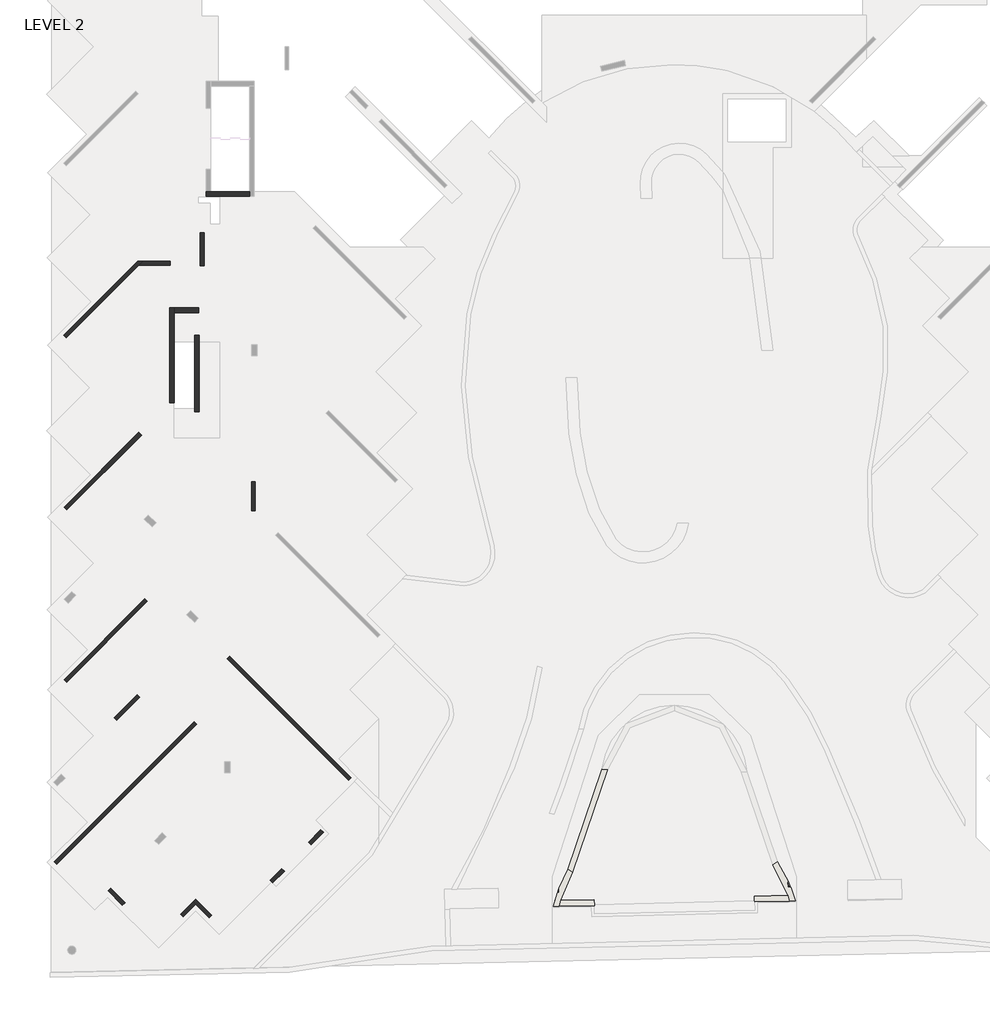
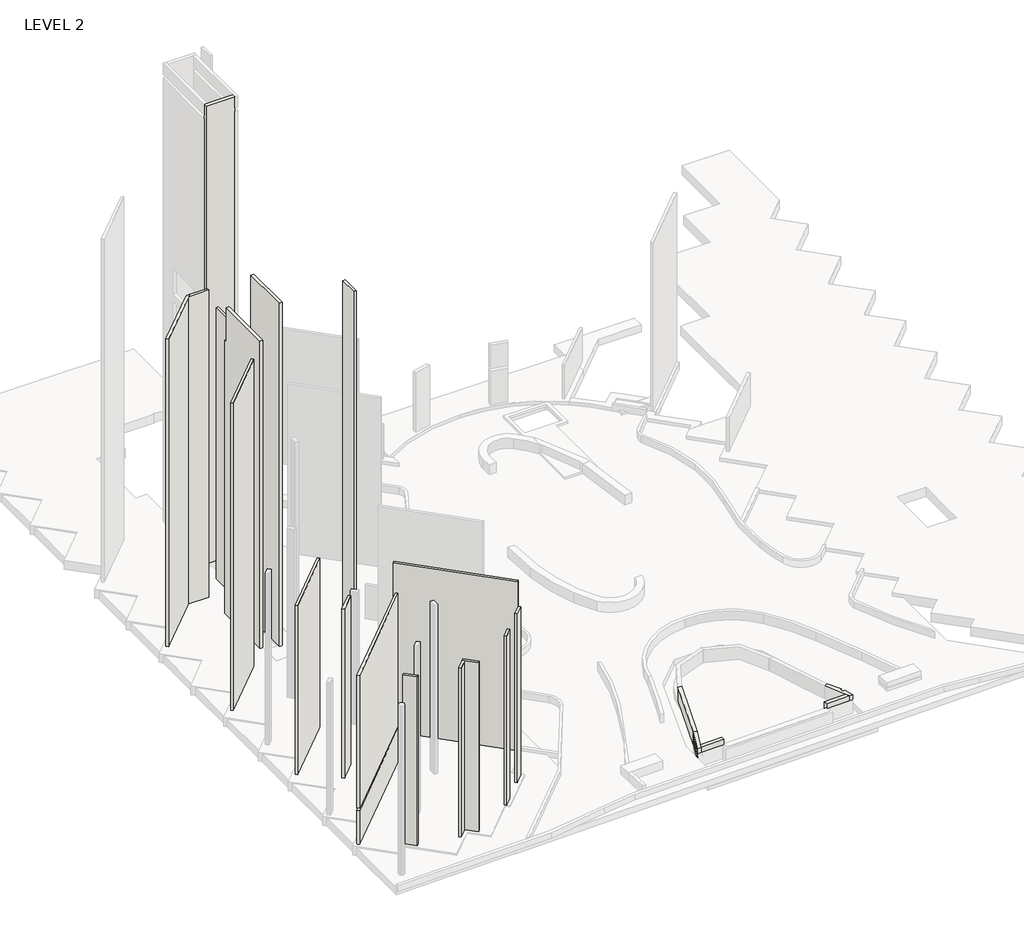
# One storey, part 1 of 9: 32 walls.
"""IFC4 building model written with IfcOpenShell, lengths in millimetres."""

from ifc_helpers import new_model, si_unit, point, frame, frame_2d, origin, place, context, project, spatial, polyline, circle_curve, trimmed, segment, composite_curve, outline, extrude, faceted_brep, element, save
from ifc_brep_helpers import plane_surface, cylinder_surface, revolved_surface, advanced_brep

model = new_model("IFC4")

# Units and contexts
model_context = context("Model", 3, world=origin())
ifc_project = project(units=[si_unit("LENGTHUNIT", "METRE", prefix="MILLI")], contexts=[model_context])

# Site, building, storey
site = spatial("IfcSite", under=ifc_project)
building = spatial("IfcBuilding", under=site)
storey = spatial("IfcBuildingStorey", under=building, Name="LEVEL 2", Elevation=6400.0)

# Walls
placement = place(None, origin())
element("IfcWall", 1, ObjectType="200 WALL", at=placement, inside=storey, context=model_context, shape_type="SweptSolid", body=[
    extrude(outline(polyline([(183986.1489175, 187812.2914792), (182277.3811584, 187812.2914792), (182477.3811584, 188012.2914792), (183986.1489175, 188012.2914792), (183986.1489175, 187812.2914792)])), frame((0.0, 0.0, 6400.0), z_axis=(0.0, 0.0, 1.0), x_axis=(1.0, 0.0, 0.0)), (0.0, 0.0, 1.0), 27550.0),
])
element("IfcWall", 2, ObjectType="200 WALL", at=placement, inside=storey, context=model_context, shape_type="Brep", body=[
    faceted_brep([(182194.5384459, 188012.2914792, 6400.0), (178123.5364761, 183941.2895094, 6400.0), (178123.5364761, 183941.2895094, 33950.0), (182194.5384459, 188012.2914792, 33950.0), (182477.3811584, 188012.2914792, 6400.0), (182477.3811584, 188012.2914792, 33950.0), (182277.3811584, 187812.2914792, 33950.0), (178264.9578323, 183799.8681532, 33950.0), (178264.9578323, 183799.8681532, 6400.0), (182277.3811584, 187812.2914792, 6400.0)], [[[0, 1, 2, 3]], [[4, 5, 6, 7, 8, 9]], [[1, 0, 4, 9, 8]], [[2, 1, 8, 7]], [[3, 2, 7, 6, 5]], [[0, 3, 5, 4]]]),
])
element("IfcWall", 3, ObjectType="200 WALL", at=placement, inside=storey, context=model_context, shape_type="SweptSolid", body=[
    extrude(outline(polyline([(178137.009774, 165004.289222), (182584.0166801, 169451.2961281), (182725.4380363, 169309.8747718), (178278.4311302, 164862.8678657), (178137.009774, 165004.289222)])), frame((0.0, 0.0, 6400.0), z_axis=(0.0, 0.0, 1.0), x_axis=(1.0, 0.0, 0.0)), (0.0, 0.0, 1.0), 15150.0),
])
element("IfcWall", 4, ObjectType="200 WALL", at=placement, inside=storey, context=model_context, shape_type="SweptSolid", body=[
    extrude(outline(polyline([(187252.3512607, 166288.8350385), (193943.3545347, 159597.8317645), (193801.9331784, 159456.4104083), (187110.9299045, 166147.4136823), (187252.3512607, 166288.8350385)])), frame((0.0, 0.0, 6400.0), z_axis=(0.0, 0.0, 1.0), x_axis=(1.0, 0.0, 0.0)), (0.0, 0.0, 1.0), 15150.0),
])
element("IfcWall", 5, ObjectType="200 WALL", at=placement, inside=storey, context=model_context, shape_type="SweptSolid", body=[
    extrude(outline(polyline([(177601.0110843, 154993.0715139), (185301.9923503, 162694.0527799), (185443.4137065, 162552.6314237), (177742.4324405, 154851.6501577), (177601.0110843, 154993.0715139)])), frame((0.0, 0.0, 6400.0), z_axis=(0.0, 0.0, 1.0), x_axis=(1.0, 0.0, 0.0)), (0.0, 0.0, 1.0), 3050.0),
    extrude(outline(polyline([(177601.0110843, 154993.0715139), (185301.9923503, 162694.0527799), (185443.4137065, 162552.6314237), (177742.4324405, 154851.6501577), (177601.0110843, 154993.0715139)])), frame((0.0, 0.0, 9650.0), z_axis=(0.0, 0.0, 1.0), x_axis=(1.0, 0.0, 0.0)), (0.0, 0.0, 1.0), 11900.0),
])
element("IfcWall", 6, ObjectType="200 WALL", at=placement, inside=storey, context=model_context, shape_type="SweptSolid", body=[
    extrude(outline(polyline([(178137.0038489, 174479.5260143), (182257.0257812, 178599.5479466), (182398.4471374, 178458.1265903), (178278.4252051, 174338.104658), (178137.0038489, 174479.5260143)])), frame((0.0, 0.0, 6400.0), z_axis=(0.0, 0.0, 1.0), x_axis=(1.0, 0.0, 0.0)), (0.0, 0.0, 1.0), 27550.0),
])
element("IfcWall", 7, ObjectType="200 WALL", at=placement, inside=storey, context=model_context, shape_type="SweptSolid", body=[
    extrude(outline(polyline([(182306.7794119, 164033.4073529), (181037.5485707, 162764.1765117), (180896.1272145, 162905.597868), (182165.3580557, 164174.8287092), (182306.7794119, 164033.4073529)])), frame((0.0, 0.0, 6400.0), z_axis=(0.0, 0.0, 1.0), x_axis=(1.0, 0.0, 0.0)), (0.0, 0.0, 1.0), 15150.0),
])
element("IfcWall", 8, ObjectType="200 WALL", at=placement, inside=storey, context=model_context, shape_type="SweptSolid", body=[
    extrude(outline(polyline([(188466.1489175, 174282.8005157), (188466.1489175, 175889.9965), (188666.1489175, 175889.9965), (188666.1489175, 174282.8005157), (188466.1489175, 174282.8005157)])), frame((0.0, 0.0, 6400.0), z_axis=(0.0, 0.0, 1.0), x_axis=(1.0, 0.0, 0.0)), (0.0, 0.0, 1.0), 34050.0),
])
element("IfcWall", 9, ObjectType="200 WALL", at=placement, inside=storey, context=model_context, shape_type="SweptSolid", body=[
    extrude(outline(polyline([(180708.7453876, 153525.824943), (181491.4566006, 152743.11373), (181350.0352443, 152601.6923738), (180567.3240314, 153384.4035867), (180708.7453876, 153525.824943)])), frame((0.0, 0.0, 6400.0), z_axis=(0.0, 0.0, 1.0), x_axis=(1.0, 0.0, 0.0)), (0.0, 0.0, 1.0), 15150.0),
])
element("IfcWall", 10, ObjectType="200 WALL", at=placement, inside=storey, context=model_context, shape_type="Brep", body=[
    faceted_brep([(186272.2339274, 152045.3064946, 6400.0), (185384.5796958, 152932.9607262, 6400.0), (185384.5796958, 152932.9607262, 21550.0), (186272.2339274, 152045.3064946, 21550.0), (186130.8125712, 151903.8851384, 6400.0), (186130.8125712, 151903.8851384, 21550.0), (185384.5796958, 152650.1180137, 21550.0), (185243.1583396, 152791.53937, 21550.0), (185243.1583396, 152791.53937, 6400.0), (185384.5796958, 152650.1180137, 6400.0)], [[[0, 1, 2, 3]], [[4, 5, 6, 7, 8, 9]], [[1, 0, 4, 9, 8]], [[2, 1, 8, 7]], [[3, 2, 7, 6, 5]], [[0, 3, 5, 4]]]),
])
element("IfcWall", 11, ObjectType="200 WALL", at=placement, inside=storey, context=model_context, shape_type="SweptSolid", body=[
    extrude(outline(polyline([(184543.6628481, 152092.0438785), (185243.1583396, 152791.53937), (185384.5796958, 152650.1180137), (184685.0842043, 151950.6225223), (184543.6628481, 152092.0438785)])), frame((0.0, 0.0, 6400.0), z_axis=(0.0, 0.0, 1.0), x_axis=(1.0, 0.0, 0.0)), (0.0, 0.0, 1.0), 15150.0),
])
element("IfcWall", 12, ObjectType="200 WALL", at=placement, inside=storey, context=model_context, shape_type="SweptSolid", body=[
    extrude(outline(polyline([(189484.2724094, 153959.8040331), (190124.1981179, 154599.7297417), (190265.6194742, 154458.3083854), (189625.6937656, 153818.3826769), (189484.2724094, 153959.8040331)])), frame((0.0, 0.0, 6400.0), z_axis=(0.0, 0.0, 1.0), x_axis=(1.0, 0.0, 0.0)), (0.0, 0.0, 1.0), 15150.0),
])
element("IfcWall", 13, ObjectType="200 WALL", at=placement, inside=storey, context=model_context, shape_type="SweptSolid", body=[
    extrude(outline(polyline([(191587.7275941, 156063.2592178), (192266.550104, 156742.0817278), (192407.9714603, 156600.6603715), (191729.1489503, 155921.8378616), (191587.7275941, 156063.2592178)])), frame((0.0, 0.0, 6300.0), z_axis=(0.0, 0.0, 1.0), x_axis=(1.0, 0.0, 0.0)), (0.0, 0.0, 1.0), 15250.0),
])
element("IfcWall", 14, ObjectType="200 WALL", at=placement, inside=storey, context=model_context, shape_type="SweptSolid", body=[
    extrude(outline(polyline([(185836.1489205, 189588.559733), (185836.1489205, 187768.559733), (185636.1489205, 187768.559733), (185636.1489205, 189588.559733), (185836.1489205, 189588.559733)])), frame((0.0, 0.0, 6400.0), z_axis=(0.0, 0.0, 1.0), x_axis=(1.0, 0.0, 0.0)), (0.0, 0.0, 1.0), 24300.0),
])
element("IfcWall", 15, ObjectType="250 WALL", at=placement, inside=storey, context=model_context, shape_type="Brep", body=[
    faceted_brep([(185326.1489175, 183953.8372685, 6400.0), (185326.1489175, 179753.8372685, 6400.0), (185326.1489175, 179753.8372685, 37150.0), (185326.1489175, 180243.8372685, 37150.0), (185326.1489175, 180493.8372685, 37150.0), (185326.1489175, 183953.8372685, 37150.0), (185576.1489175, 179753.8372685, 6400.0), (185576.1489175, 183953.8372685, 6400.0), (185576.1489175, 183953.8372685, 37150.0), (185576.1489175, 179753.8372685, 37150.0)], [[[0, 1, 2, 3, 4, 5]], [[6, 7, 8, 9]], [[1, 0, 7, 6]], [[1, 6, 9, 2]], [[7, 0, 5, 8]], [[5, 4, 3, 2, 9, 8]]]),
])
element("IfcWall", 16, ObjectType="250 WALL", at=placement, inside=storey, context=model_context, shape_type="SweptSolid", body=[
    extrude(outline(polyline([(184206.1489175, 185448.559733), (185541.1486688, 185448.559733), (185541.1486688, 185198.559733), (184206.1489175, 185198.559733), (184206.1489175, 185448.559733)])), frame((0.0, 0.0, 6400.0), z_axis=(0.0, 0.0, 1.0), x_axis=(1.0, 0.0, 0.0)), (0.0, 0.0, 1.0), 3050.0),
    extrude(outline(polyline([(184206.1489175, 185448.559733), (185541.1486688, 185448.559733), (185541.1486688, 185198.559733), (184206.1489175, 185198.559733), (184206.1489175, 185448.559733)])), frame((0.0, 0.0, 27650.0), z_axis=(0.0, 0.0, 1.0), x_axis=(1.0, 0.0, 0.0)), (0.0, 0.0, 1.0), 3050.0),
    extrude(outline(polyline([(184206.1489175, 185448.559733), (185541.1486688, 185448.559733), (185541.1486688, 185198.559733), (184206.1489175, 185198.559733), (184206.1489175, 185448.559733)])), frame((0.0, 0.0, 9650.0), z_axis=(0.0, 0.0, 1.0), x_axis=(1.0, 0.0, 0.0)), (0.0, 0.0, 1.0), 2750.0),
    extrude(outline(polyline([(184206.1489175, 185448.559733), (185541.1486688, 185448.559733), (185541.1486688, 185198.559733), (184206.1489175, 185198.559733), (184206.1489175, 185448.559733)])), frame((0.0, 0.0, 12600.0), z_axis=(0.0, 0.0, 1.0), x_axis=(1.0, 0.0, 0.0)), (0.0, 0.0, 1.0), 2750.0),
    extrude(outline(polyline([(184206.1489175, 185448.559733), (185541.1486688, 185448.559733), (185541.1486688, 185198.559733), (184206.1489175, 185198.559733), (184206.1489175, 185448.559733)])), frame((0.0, 0.0, 15550.0), z_axis=(0.0, 0.0, 1.0), x_axis=(1.0, 0.0, 0.0)), (0.0, 0.0, 1.0), 2750.0),
    extrude(outline(polyline([(184206.1489175, 185448.559733), (185541.1486688, 185448.559733), (185541.1486688, 185198.559733), (184206.1489175, 185198.559733), (184206.1489175, 185448.559733)])), frame((0.0, 0.0, 18500.0), z_axis=(0.0, 0.0, 1.0), x_axis=(1.0, 0.0, 0.0)), (0.0, 0.0, 1.0), 3050.0),
    extrude(outline(polyline([(184206.1489175, 185448.559733), (185541.1486688, 185448.559733), (185541.1486688, 185198.559733), (184206.1489175, 185198.559733), (184206.1489175, 185448.559733)])), frame((0.0, 0.0, 21750.0), z_axis=(0.0, 0.0, 1.0), x_axis=(1.0, 0.0, 0.0)), (0.0, 0.0, 1.0), 2750.0),
    extrude(outline(polyline([(184206.1489175, 185448.559733), (185541.1486688, 185448.559733), (185541.1486688, 185198.559733), (184206.1489175, 185198.559733), (184206.1489175, 185448.559733)])), frame((0.0, 0.0, 24700.0), z_axis=(0.0, 0.0, 1.0), x_axis=(1.0, 0.0, 0.0)), (0.0, 0.0, 1.0), 2750.0),
])
element("IfcWall", 17, ObjectType="250 WALL", at=placement, inside=storey, context=model_context, shape_type="Brep", body=[
    faceted_brep([(184206.1489175, 180243.8372685, 6400.0), (184206.1489175, 185198.559733, 6400.0), (184206.1489175, 185448.559733, 6400.0), (184206.1489175, 185448.559733, 9450.0), (184206.1489175, 185448.559733, 9650.0), (184206.1489175, 185448.559733, 12400.0), (184206.1489175, 185448.559733, 12600.0), (184206.1489175, 185448.559733, 15350.0), (184206.1489175, 185448.559733, 15550.0), (184206.1489175, 185448.559733, 18300.0), (184206.1489175, 185448.559733, 18500.0), (184206.1489175, 185448.559733, 21550.0), (184206.1489175, 185448.559733, 21750.0), (184206.1489175, 185448.559733, 24500.0), (184206.1489175, 185448.559733, 24700.0), (184206.1489175, 185448.559733, 27450.0), (184206.1489175, 185448.559733, 27650.0), (184206.1489175, 185448.559733, 30700.0), (184206.1489175, 185448.559733, 30900.0), (184206.1489175, 185198.559733, 30900.0), (184206.1489175, 185198.559733, 33950.0), (184206.1489175, 180243.8372685, 33950.0), (183956.1489175, 180243.8372685, 6400.0), (183956.1489175, 180243.8372685, 33950.0), (183956.1489175, 185198.559733, 33950.0), (183956.1489175, 185198.559733, 30900.0), (183956.1489175, 185448.559733, 30900.0), (183956.1489175, 185448.559733, 6400.0)], [[[0, 1, 2, 3, 4, 5, 6, 7, 8, 9, 10, 11, 12, 13, 14, 15, 16, 17, 18, 19, 20, 21]], [[22, 23, 24, 25, 26, 27]], [[2, 1, 0, 22, 27]], [[21, 20, 24, 23]], [[0, 21, 23, 22]], [[25, 19, 18, 26]], [[18, 17, 16, 15, 14, 13, 12, 11, 10, 9, 8, 7, 6, 5, 4, 3, 2, 27, 26]], [[20, 19, 25, 24]]]),
])
element("IfcWall", 18, ObjectType="250 WALL", at=placement, inside=storey, context=model_context, shape_type="Brep", body=[
    faceted_brep([(188361.1489175, 191842.6490083, 6400.0), (186201.1489175, 191842.6490083, 6400.0), (185951.1489175, 191842.6490083, 6400.0), (185951.1489175, 191842.6490083, 46150.0), (185951.1489175, 191842.6490083, 46450.0), (185951.1489175, 191842.6490083, 47450.0), (186201.1489175, 191842.6490083, 47450.0), (188361.1489175, 191842.6490083, 47450.0), (188361.1489175, 191592.6490083, 6400.0), (188361.1489175, 191592.6490083, 46150.0), (188361.1489175, 191592.6490083, 46450.0), (188361.1489175, 191592.6490083, 47450.0), (185951.1489175, 191592.6490083, 47450.0), (185951.1489175, 191592.6490083, 6400.0)], [[[0, 1, 2, 3, 4, 5, 6, 7]], [[8, 9, 10, 11, 12, 13]], [[2, 1, 0, 8, 13]], [[7, 6, 5, 12, 11]], [[5, 4, 3, 2, 13, 12]], [[0, 7, 11, 10, 9, 8]]]),
])
element("IfcWall", 19, ObjectType="P1A - 300 Concrete", at=placement, inside=storey, context=model_context, shape_type="SweptSolid", body=[
    extrude(outline(composite_curve([segment(polyline([(207743.0824353, 160077.1800024), (208041.0399825, 160042.2328984)]), True, "CONTINUOUS"), segment(trimmed(circle_curve(frame_2d((193875.4396131, 161703.7001602)), 14262.7033653), [point((208041.0399825, 160042.2328984))], [point((206131.9502464, 154409.6851901))], False, "CARTESIAN"), True, "CONTINUOUS"), segment(polyline([(206131.9502464, 154409.6851901), (205874.1482649, 154563.1066303)]), True, "CONTINUOUS"), segment(trimmed(circle_curve(frame_2d((193875.4396131, 161703.7001602)), 13962.7033653), [point((205874.1482649, 154563.1066303))], [point((207743.0824353, 160077.1800024))], True, "CARTESIAN"), True, "CONTINUOUS")], self_intersect=False)), frame((0.0, 0.0, 5700.0), z_axis=(0.0, 0.0, 1.0), x_axis=(1.0, 0.0, 0.0)), (0.0, 0.0, 1.0), 1150.0),
])
element("IfcWall", 20, ObjectType="P1A - 300 Concrete", at=placement, inside=storey, context=model_context, shape_type="AdvancedBrep", body=[
    advanced_brep(
    [(205387.836034, 152533.870049, 6850.0), (205471.7856965, 152855.8532032, 6850.0), (206132.4214357, 154410.477012, 6850.0), (205873.6844813, 154562.3273684, 6850.0), (205382.0511919, 153532.6684183, 6850.0), (205387.4868432, 153294.3277182, 6850.0), (205294.711732, 153292.2118682, 6850.0), (205078.4310634, 152526.8386664, 6850.0), (206132.4214357, 154410.477012, 5700.0), (205471.7856965, 152855.8532032, 5700.0), (205387.836034, 152533.870049, 5700.0), (205078.4310634, 152526.8386664, 5700.0), (205873.6844813, 154562.3273684, 5700.0), (205387.836034, 152533.870049, 6400.0), (205395.0666137, 152564.3107636, 6400.0), (205395.0666137, 152564.3107636, 6550.0), (205403.356526, 152598.4789455, 6550.0), (205403.356526, 152598.4789455, 6100.0), (205387.836034, 152533.870049, 6100.0), (205078.4310634, 152526.8386664, 6100.0), (205382.0511919, 153532.6684183, 6100.0), (205294.711732, 153292.2118682, 6700.0), (205179.3930024, 152924.4869732, 6700.0), (205179.3930024, 152924.4869732, 6550.0), (205085.3049706, 152557.2462703, 6550.0), (205085.3049706, 152557.2462703, 6400.0), (205078.4310634, 152526.8386664, 6400.0), (205387.4868432, 153294.3277182, 6700.0), (205395.8089509, 152929.4226038, 6550.0), (205395.8089509, 152929.4226038, 6700.0)],
    [
        (0, 1, circle_curve(frame((212106.7792377, 150953.9992899, 6850.0), z_axis=(0.0, 0.0, -1.0), x_axis=(1.0, 0.0, 0.0)), 6902.1872903)),
        (1, 2, circle_curve(frame((212106.7792377, 150953.9992899, 6850.0), z_axis=(0.0, 0.0, -1.0), x_axis=(1.0, 0.0, 0.0)), 6902.1871606)),
        (2, 3),
        (3, 4, circle_curve(frame((212106.7792377, 150953.9992899, 6850.0), z_axis=(0.0, 0.0, 1.0), x_axis=(1.0, 0.0, 0.0)), 7202.1872903)),
        (4, 5),
        (5, 6),
        (6, 7, circle_curve(frame((212106.7792377, 150953.9992899, 6850.0), z_axis=(0.0, 0.0, 1.0), x_axis=(1.0, 0.0, 0.0)), 7202.1872903)),
        (7, 0),
        (8, 9, circle_curve(frame((212106.7792377, 150953.9992899, 5700.0), z_axis=(0.0, 0.0, 1.0), x_axis=(1.0, 0.0, 0.0)), 6902.1872903)),
        (9, 10, circle_curve(frame((212106.7792377, 150953.9992899, 5700.0), z_axis=(0.0, 0.0, 1.0), x_axis=(1.0, 0.0, 0.0)), 6902.1871606)),
        (10, 11),
        (11, 12, circle_curve(frame((212106.7792377, 150953.9992899, 5700.0), z_axis=(0.0, 0.0, -1.0), x_axis=(1.0, 0.0, 0.0)), 7202.1872903)),
        (12, 8),
        (0, 13),
        (13, 14, circle_curve(frame((212106.7792377, 150953.9992899, 6400.0), z_axis=(0.0, 0.0, -1.0), x_axis=(1.0, 0.0, 0.0)), 6902.1872903)),
        (14, 15),
        (15, 16, circle_curve(frame((212106.7792377, 150953.9992899, 6550.0), z_axis=(0.0, 0.0, -1.0), x_axis=(1.0, 0.0, 0.0)), 6902.1872903)),
        (16, 17),
        (17, 18, circle_curve(frame((212106.7792377, 150953.9992899, 6100.0), z_axis=(0.0, 0.0, 1.0), x_axis=(1.0, 0.0, 0.0)), 6902.1872903)),
        (18, 10),
        (8, 2),
        (11, 19),
        (19, 20, circle_curve(frame((212106.7792377, 150953.9992899, 6100.0), z_axis=(0.0, 0.0, -1.0), x_axis=(1.0, 0.0, 0.0)), 7202.1872903)),
        (20, 4),
        (3, 12),
        (6, 21),
        (21, 22, circle_curve(frame((212106.7792377, 150953.9992899, 6700.0), z_axis=(0.0, 0.0, 1.0), x_axis=(1.0, 0.0, 0.0)), 7202.1872903)),
        (22, 23),
        (23, 24, circle_curve(frame((212106.7792377, 150953.9992899, 6550.0), z_axis=(0.0, 0.0, 1.0), x_axis=(1.0, 0.0, 0.0)), 7202.1872903)),
        (24, 25),
        (25, 26, circle_curve(frame((212106.7792377, 150953.9992899, 6400.0), z_axis=(0.0, 0.0, 1.0), x_axis=(1.0, 0.0, 0.0)), 7202.1872903)),
        (26, 7),
        (26, 13),
        (18, 19),
        (27, 5),
        (20, 17),
        (16, 28),
        (28, 29),
        (29, 27),
        (27, 21),
        (29, 22),
        (28, 23),
        (15, 24),
        (14, 25),
    ],
    [
        plane_surface(frame((219008.966528, 150953.9992899, 6850.0), z_axis=(0.0, 0.0, 1.0), x_axis=(0.0, -1.0, 0.0))),
        plane_surface(frame((219008.966528, 150953.9992899, 5700.0), z_axis=(0.0, 0.0, -1.0), x_axis=(0.0, 1.0, 0.0))),
        revolved_surface(polyline([(219008.966528, 150953.9992899, 5700.0), (219008.966528, 150953.9992899, 6850.0)]), (212106.7792377, 150953.9992899, 5700.0), (0.0, 0.0, -1.0)),
        cylinder_surface(frame((212106.7792377, 150953.9992899, 5700.0), z_axis=(0.0, 0.0, 1.0), x_axis=(1.0, 0.0, 0.0)), 7202.1872903),
        plane_surface(frame((206132.4214357, 154410.477012, 6400.0), z_axis=(0.5061584560604623, 0.8624405007642493, 0.0), x_axis=(-0.8624405007642493, 0.5061584560604623, 0.0))),
        plane_surface(frame((218498.760454, 152831.8223588, 5700.0), z_axis=(0.022719633760678166, -0.9997418758068408, 0.0), x_axis=(0.9997418758068408, 0.022719633760678166, 0.0))),
        plane_surface(frame((205387.4868432, 153294.3277182, 6850.0), z_axis=(-0.9997400394846687, -0.022800294980400544, 0.0), x_axis=(0.0, 0.0, -1.0))),
        plane_surface(frame((205387.4868432, 153294.3277182, 6850.0), z_axis=(-0.0228002949804006, 0.9997400394846686, 0.0), x_axis=(-0.9997400394846686, -0.0228002949804006, 0.0))),
        plane_surface(frame((205387.4868432, 153294.3277182, 6700.0), z_axis=(0.0, 0.0, -1.0), x_axis=(-0.9997400394846686, -0.0228002949804006, 0.0))),
        plane_surface(frame((205395.8089509, 152929.4226038, 6700.0), z_axis=(-0.0228002949804006, 0.9997400394846686, 0.0), x_axis=(-0.9997400394846686, -0.0228002949804006, 0.0))),
        plane_surface(frame((205395.8089509, 152929.4226038, 6550.0), z_axis=(0.0, 0.0, -1.0), x_axis=(-0.9997400394846686, -0.0228002949804006, 0.0))),
        plane_surface(frame((205404.1310585, 152564.5174894, 6550.0), z_axis=(-0.0228002949804006, 0.9997400394846686, 0.0), x_axis=(-0.9997400394846686, -0.0228002949804006, 0.0))),
        plane_surface(frame((205404.1310585, 152564.5174894, 6400.0), z_axis=(0.0, 0.0, -1.0), x_axis=(-0.9997400394846686, -0.0228002949804006, 0.0))),
        plane_surface(frame((205405.9550821, 152484.5382862, 6100.0), z_axis=(0.0, 0.0, 1.0), x_axis=(-0.9997400394846686, -0.0228002949804006, 0.0))),
    ],
    [
        (0, [[1, 2, 3, 4, 5, 6, 7, 8]]),
        (1, [[9, 10, 11, 12, 13]]),
        (2, [[-2, -1, 14, 15, 16, 17, 18, 19, 20, -10, -9, 21]]),
        (3, [[-12, 22, 23, 24, -4, 25]]),
        (3, [[-7, 26, 27, 28, 29, 30, 31, 32]]),
        (4, [[-3, -21, -13, -25]]),
        (5, [[-8, -32, 33, -14]]),
        (5, [[-11, -20, 34, -22]]),
        (6, [[35, -5, -24, 36, -18, 37, 38, 39]]),
        (7, [[-35, 40, -26, -6]]),
        (8, [[-39, 41, -27, -40]]),
        (9, [[-38, 42, -28, -41]]),
        (10, [[-37, -17, 43, -29, -42]]),
        (11, [[-43, -16, 44, -30]]),
        (12, [[-44, -15, -33, -31]]),
        (13, [[-36, -23, -34, -19]]),
    ],
),
])
element("IfcWall", 21, ObjectType="P1A - 300 Concrete", at=placement, inside=storey, context=model_context, shape_type="SweptSolid", body=[
    extrude(outline(composite_curve([segment(polyline([(207743.1389435, 160077.6618613), (208040.9820379, 160041.7389396)]), True, "CONTINUOUS"), segment(trimmed(circle_curve(frame_2d((193875.4396131, 161703.7001602)), 14262.7033653), [point((208040.9820379, 160041.7389396))], [point((206132.4214357, 154410.477012))], False, "CARTESIAN"), True, "CONTINUOUS"), segment(polyline([(206132.4214357, 154410.477012), (205873.6844813, 154562.3273684)]), True, "CONTINUOUS"), segment(trimmed(circle_curve(frame_2d((193875.4396131, 161703.7001602)), 13962.7033653), [point((205873.6844813, 154562.3273684))], [point((207743.1389435, 160077.6618613))], True, "CARTESIAN"), True, "CONTINUOUS")], self_intersect=False)), frame((0.0, 0.0, 5700.0), z_axis=(0.0, 0.0, 1.0), x_axis=(1.0, 0.0, 0.0)), (0.0, 0.0, 1.0), 1150.0),
])
element("IfcWall", 22, ObjectType="P1A - 300 Concrete", at=placement, inside=storey, context=model_context, shape_type="AdvancedBrep", body=[
    advanced_brep(
    [(217155.289754, 154809.6514349, 6850.0), (217975.9168854, 153140.0144694, 6850.0), (218066.2938716, 152821.9943396, 6850.0), (218373.736502, 152828.981127, 6850.0), (218139.6311504, 153583.8571909, 6850.0), (217960.8510951, 153579.7943248, 6850.0), (217953.6944104, 153894.7130157, 6850.0), (218011.7676864, 153896.0327599, 6850.0), (217402.9175493, 154979.0288295, 6850.0), (217402.9175493, 154979.0288295, 5700.0), (218373.736502, 152828.981127, 5700.0), (218066.2938716, 152821.9943396, 5700.0), (217975.9168854, 153140.0144694, 5700.0), (217155.289754, 154809.6514349, 5700.0), (218011.7676864, 153896.0327599, 6100.0), (218373.736502, 152828.981127, 6100.0), (218373.736502, 152828.981127, 6400.0), (218366.3892235, 152858.8219022, 6400.0), (218366.3892235, 152858.8219022, 6550.0), (218264.7304783, 153221.605896, 6550.0), (218264.7304783, 153221.605896, 6700.0), (218139.6311504, 153583.8571909, 6700.0), (218066.2938716, 152821.9943396, 6100.0), (217975.9144539, 153140.0230432, 6100.0), (217970.4513684, 153157.3493446, 6100.0), (217970.4513684, 153157.3493446, 6550.0), (217975.9144539, 153140.0230432, 6550.0), (218058.6017824, 152851.8272787, 6550.0), (218058.6017824, 152851.8272787, 6400.0), (218066.2938716, 152821.9943396, 6400.0), (217953.6944104, 153894.7130157, 6100.0), (217960.8510951, 153579.7943248, 6700.0), (217969.1437614, 153214.8885402, 6700.0), (217969.1437614, 153214.8885402, 6550.0)],
    [
        (0, 1, circle_curve(frame((212147.3943493, 151311.7805166, 6850.0), z_axis=(0.0, 0.0, -1.0), x_axis=(1.0, 0.0, 0.0)), 6108.5282471)),
        (1, 2, circle_curve(frame((212147.3943493, 151311.7805166, 6850.0), z_axis=(0.0, 0.0, -1.0), x_axis=(1.0, 0.0, 0.0)), 6108.5280011)),
        (2, 3),
        (3, 4, circle_curve(frame((212147.3943493, 151311.7805166, 6850.0), z_axis=(0.0, 0.0, 1.0), x_axis=(1.0, 0.0, 0.0)), 6408.5282471)),
        (4, 5),
        (5, 6),
        (6, 7),
        (7, 8, circle_curve(frame((212147.3943493, 151311.7805166, 6850.0), z_axis=(0.0, 0.0, 1.0), x_axis=(1.0, 0.0, 0.0)), 6408.5282471)),
        (8, 0),
        (9, 10, circle_curve(frame((212147.3943493, 151311.7805166, 5700.0), z_axis=(0.0, 0.0, -1.0), x_axis=(1.0, 0.0, 0.0)), 6408.5282471)),
        (10, 11),
        (11, 12, circle_curve(frame((212147.3943493, 151311.7805166, 5700.0), z_axis=(0.0, 0.0, 1.0), x_axis=(1.0, 0.0, 0.0)), 6108.5282471)),
        (12, 13, circle_curve(frame((212147.3943493, 151311.7805166, 5700.0), z_axis=(0.0, 0.0, 1.0), x_axis=(1.0, 0.0, 0.0)), 6108.5280011)),
        (13, 9),
        (9, 8),
        (7, 14),
        (14, 15, circle_curve(frame((212147.3943493, 151311.7805166, 6100.0), z_axis=(0.0, 0.0, -1.0), x_axis=(1.0, 0.0, 0.0)), 6408.5282471)),
        (15, 10),
        (3, 16),
        (16, 17, circle_curve(frame((212147.3943493, 151311.7805166, 6400.0), z_axis=(0.0, 0.0, 1.0), x_axis=(1.0, 0.0, 0.0)), 6408.5282471)),
        (17, 18),
        (18, 19, circle_curve(frame((212147.3943493, 151311.7805166, 6550.0), z_axis=(0.0, 0.0, 1.0), x_axis=(1.0, 0.0, 0.0)), 6408.5282471)),
        (19, 20),
        (20, 21, circle_curve(frame((212147.3943493, 151311.7805166, 6700.0), z_axis=(0.0, 0.0, 1.0), x_axis=(1.0, 0.0, 0.0)), 6408.5282471)),
        (21, 4),
        (0, 13),
        (11, 22),
        (22, 23, circle_curve(frame((212147.3943493, 151311.7805166, 6100.0), z_axis=(0.0, 0.0, 1.0), x_axis=(1.0, 0.0, 0.0)), 6108.5282471)),
        (23, 24, circle_curve(frame((212147.3943493, 151311.7805166, 6100.0), z_axis=(0.0, 0.0, 1.0), x_axis=(1.0, 0.0, 0.0)), 6108.5282471)),
        (24, 25),
        (25, 26, circle_curve(frame((212147.3943493, 151311.7805166, 6550.0), z_axis=(0.0, 0.0, -1.0), x_axis=(1.0, 0.0, 0.0)), 6108.5282471)),
        (26, 27, circle_curve(frame((212147.3943493, 151311.7805166, 6550.0), z_axis=(0.0, 0.0, -1.0), x_axis=(1.0, 0.0, 0.0)), 6108.5282471)),
        (27, 28),
        (28, 29, circle_curve(frame((212147.3943493, 151311.7805166, 6400.0), z_axis=(0.0, 0.0, -1.0), x_axis=(1.0, 0.0, 0.0)), 6108.5282471)),
        (29, 2),
        (29, 16),
        (15, 22),
        (30, 6),
        (5, 31),
        (31, 32),
        (32, 33),
        (33, 25),
        (24, 30),
        (30, 14),
        (28, 17),
        (27, 18),
        (33, 19),
        (32, 20),
        (31, 21),
    ],
    [
        plane_surface(frame((218555.9225965, 151311.7805166, 6850.0), z_axis=(0.0, 0.0, 1.0), x_axis=(0.0, 1.0, 0.0))),
        plane_surface(frame((218555.9225965, 151311.7805166, 5700.0), z_axis=(0.0, 0.0, -1.0), x_axis=(0.0, -1.0, 0.0))),
        cylinder_surface(frame((212147.3943493, 151311.7805166, 5700.0), z_axis=(0.0, 0.0, 1.0), x_axis=(1.0, 0.0, 0.0)), 6408.5282471),
        revolved_surface(polyline([(218255.92259640002, 151311.7805166, 5700.0), (218255.92259640002, 151311.7805166, 6850.0)]), (212147.3943493, 151311.7805166, 5700.0), (0.0, 0.0, -1.0)),
        plane_surface(frame((218498.760454, 152831.8223588, 5700.0), z_axis=(0.022719633760673628, -0.9997418758068409, 0.0), x_axis=(0.9997418758068409, 0.022719633760673628, 0.0))),
        plane_surface(frame((217402.9175493, 154979.0288295, 6400.0), z_axis=(-0.5645655128283577, 0.8253882611988455, 0.0), x_axis=(-0.8253882611988455, -0.5645655128283577, 0.0))),
        plane_surface(frame((217953.6944104, 153894.7130157, 6850.0), z_axis=(0.9997418758068399, 0.02271963376071752, 0.0), x_axis=(-0.02271963376071752, 0.9997418758068399, 0.0))),
        plane_surface(frame((217953.6944104, 153894.7130157, 6850.0), z_axis=(0.022719633760717756, -0.9997418758068399, 0.0), x_axis=(0.9997418758068399, 0.022719633760717756, 0.0))),
        plane_surface(frame((217953.6944104, 153894.7130157, 6100.0), z_axis=(0.0, 0.0, 1.0000000000000002), x_axis=(0.9997418758068399, 0.022719633760717756, 0.0))),
        plane_surface(frame((217979.2539984, 152770.0034054, 6400.0), z_axis=(0.0, 0.0, -1.0000000000000002), x_axis=(0.9997418758068399, 0.022719633760717756, 0.0))),
        plane_surface(frame((217977.4364277, 152849.9827555, 6400.0), z_axis=(-0.022719633760717756, 0.9997418758068399, 0.0), x_axis=(0.9997418758068399, 0.022719633760717756, 0.0))),
        plane_surface(frame((217977.4364277, 152849.9827555, 6550.0), z_axis=(0.0, 0.0, -1.0000000000000002), x_axis=(0.9997418758068399, 0.022719633760717756, 0.0))),
        plane_surface(frame((217969.1437614, 153214.8885402, 6550.0), z_axis=(-0.022719633760717756, 0.9997418758068399, 0.0), x_axis=(0.9997418758068399, 0.022719633760717756, 0.0))),
        plane_surface(frame((217969.1437614, 153214.8885402, 6700.0), z_axis=(0.0, 0.0, -1.0000000000000002), x_axis=(0.9997418758068399, 0.022719633760717756, 0.0))),
        plane_surface(frame((217960.8510951, 153579.7943248, 6700.0), z_axis=(-0.022719633760717756, 0.9997418758068399, 0.0), x_axis=(0.9997418758068399, 0.022719633760717756, 0.0))),
    ],
    [
        (0, [[1, 2, 3, 4, 5, 6, 7, 8, 9]]),
        (1, [[10, 11, 12, 13, 14]]),
        (2, [[-10, 15, -8, 16, 17, 18]]),
        (2, [[-4, 19, 20, 21, 22, 23, 24, 25]]),
        (3, [[-2, -1, 26, -13, -12, 27, 28, 29, 30, 31, 32, 33, 34, 35]]),
        (4, [[-3, -35, 36, -19]]),
        (4, [[-11, -18, 37, -27]]),
        (5, [[-9, -15, -14, -26]]),
        (6, [[38, -6, 39, 40, 41, 42, -30, 43]]),
        (7, [[-38, 44, -16, -7]]),
        (8, [[-43, -29, -28, -37, -17, -44]]),
        (9, [[45, -20, -36, -34]]),
        (10, [[-45, -33, 46, -21]]),
        (11, [[-42, 47, -22, -46, -32, -31]]),
        (12, [[-41, 48, -23, -47]]),
        (13, [[-40, 49, -24, -48]]),
        (14, [[-39, -5, -25, -49]]),
    ],
),
])
element("IfcWall", 23, ObjectType="P1A - 300 Concrete", at=placement, inside=storey, context=model_context, shape_type="SweptSolid", body=[
    extrude(outline(composite_curve([segment(polyline([(205471.7876568, 152855.8605127), (205158.2920697, 152848.7361688)]), True, "CONTINUOUS"), segment(trimmed(circle_curve(frame_2d((212106.7792377, 150953.9992899)), 7202.1872903), [point((205158.2920697, 152848.7361688))], [point((205873.6844813, 154562.3273684))], False, "CARTESIAN"), True, "CONTINUOUS"), segment(polyline([(205873.6844813, 154562.3273684), (206132.4214357, 154410.477012)]), True, "CONTINUOUS"), segment(trimmed(circle_curve(frame_2d((212106.7792377, 150953.9992899)), 6902.1872903), [point((206132.4214357, 154410.477012))], [point((205471.7876568, 152855.8605127))], True, "CARTESIAN"), True, "CONTINUOUS")], self_intersect=False)), frame((0.0, 0.0, 5700.0), z_axis=(0.0, 0.0, 1.0), x_axis=(1.0, 0.0, 0.0)), (0.0, 0.0, 1.0), 1150.0),
])
element("IfcWall", 24, ObjectType="P1A - 300 Concrete", at=placement, inside=storey, context=model_context, shape_type="SweptSolid", body=[
    extrude(outline(composite_curve([segment(polyline([(207743.0824353, 160077.1800024), (208041.0399825, 160042.2328984)]), True, "CONTINUOUS"), segment(trimmed(circle_curve(frame_2d((193875.4396131, 161703.7001602)), 14262.7033653), [point((208041.0399825, 160042.2328984))], [point((206131.9502464, 154409.6851901))], False, "CARTESIAN"), True, "CONTINUOUS"), segment(polyline([(206131.9502464, 154409.6851901), (205874.1482649, 154563.1066303)]), True, "CONTINUOUS"), segment(trimmed(circle_curve(frame_2d((193875.4396131, 161703.7001602)), 13962.7033653), [point((205874.1482649, 154563.1066303))], [point((207743.0824353, 160077.1800024))], True, "CARTESIAN"), True, "CONTINUOUS")], self_intersect=False)), frame((0.0, 0.0, 5700.0), z_axis=(0.0, 0.0, 1.0), x_axis=(1.0, 0.0, 0.0)), (0.0, 0.0, 1.0), 1150.0),
])
element("IfcWall", 25, ObjectType="P1A - 300 Concrete", at=placement, inside=storey, context=model_context, shape_type="SweptSolid", body=[
    extrude(outline(composite_curve([segment(polyline([(205471.7876568, 152855.8605127), (205158.2920697, 152848.7361688)]), True, "CONTINUOUS"), segment(trimmed(circle_curve(frame_2d((212106.7792377, 150953.9992899)), 7202.1872903), [point((205158.2920697, 152848.7361688))], [point((205873.6844813, 154562.3273684))], False, "CARTESIAN"), True, "CONTINUOUS"), segment(polyline([(205873.6844813, 154562.3273684), (206132.4214357, 154410.477012)]), True, "CONTINUOUS"), segment(trimmed(circle_curve(frame_2d((212106.7792377, 150953.9992899)), 6902.1872903), [point((206132.4214357, 154410.477012))], [point((205471.7876568, 152855.8605127))], True, "CARTESIAN"), True, "CONTINUOUS")], self_intersect=False)), frame((0.0, 0.0, 5700.0), z_axis=(0.0, 0.0, 1.0), x_axis=(1.0, 0.0, 0.0)), (0.0, 0.0, 1.0), 1150.0),
])
element("IfcWall", 26, ObjectType="P1A - 300 Concrete", at=placement, inside=storey, context=model_context, shape_type="SweptSolid", body=[
    extrude(outline(composite_curve([segment(polyline([(207743.0824353, 160077.1800024), (208041.0399825, 160042.2328984)]), True, "CONTINUOUS"), segment(trimmed(circle_curve(frame_2d((193875.4396131, 161703.7001602)), 14262.7033653), [point((208041.0399825, 160042.2328984))], [point((206131.9502464, 154409.6851901))], False, "CARTESIAN"), True, "CONTINUOUS"), segment(polyline([(206131.9502464, 154409.6851901), (205874.1482649, 154563.1066303)]), True, "CONTINUOUS"), segment(trimmed(circle_curve(frame_2d((193875.4396131, 161703.7001602)), 13962.7033653), [point((205874.1482649, 154563.1066303))], [point((207743.0824353, 160077.1800024))], True, "CARTESIAN"), True, "CONTINUOUS")], self_intersect=False)), frame((0.0, 0.0, 5700.0), z_axis=(0.0, 0.0, 1.0), x_axis=(1.0, 0.0, 0.0)), (0.0, 0.0, 1.0), 1150.0),
])
element("IfcWall", 27, ObjectType="P1A - 320 Concrete", at=placement, inside=storey, context=model_context, shape_type="AdvancedBrep", body=[
    advanced_brep(
    [(205387.836034, 152533.870049, 5700.0), (207319.4723226, 152577.767449, 5700.0), (207319.4723226, 152577.767449, 6400.0), (207319.4723226, 152577.767449, 6850.0), (205387.836034, 152533.870049, 6850.0), (207312.2020398, 152897.6848493, 5700.0), (205471.7876568, 152855.8605127, 5700.0), (205471.7876568, 152855.8605127, 6850.0), (207312.2020398, 152897.6848493, 6850.0), (207313.7924142, 152827.702918, 5700.0), (207318.3363409, 152627.7545428, 6850.0)],
    [
        (0, 1),
        (1, 2),
        (2, 3),
        (3, 4),
        (4, 0),
        (5, 6),
        (6, 7),
        (7, 8),
        (8, 5),
        (0, 6, circle_curve(frame((212106.7792377, 150953.9992899, 5700.0), z_axis=(0.0, 0.0, -1.0), x_axis=(1.0, 0.0, 0.0)), 6902.1872903)),
        (5, 9),
        (9, 1),
        (8, 10),
        (10, 3),
        (7, 4, circle_curve(frame((212106.7792377, 150953.9992899, 6850.0), z_axis=(0.0, 0.0, 1.0), x_axis=(1.0, 0.0, 0.0)), 6902.1872903)),
    ],
    [
        plane_surface(frame((218498.760454, 152831.8223588, 5700.0), z_axis=(0.022719633760678166, -0.9997418758068408, 0.0), x_axis=(0.9997418758068408, 0.022719633760678166, 0.0))),
        plane_surface(frame((218491.4901712, 153151.7397591, 5700.0), z_axis=(-0.022719633760678166, 0.9997418758068408, 0.0), x_axis=(-0.9997418758068408, -0.022719633760678166, 0.0))),
        plane_surface(frame((205275.5617228, 152531.3185592, 5700.0), z_axis=(0.0, 0.0, -1.0), x_axis=(-0.022719633760721114, 0.9997418758068398, 0.0))),
        plane_surface(frame((207319.4723226, 152577.767449, 5700.0), z_axis=(0.9997418758068398, 0.022719633760721114, 0.0), x_axis=(-0.022719633760721114, 0.9997418758068398, 0.0))),
        plane_surface(frame((207319.4723226, 152577.767449, 6850.0), z_axis=(0.0, 0.0, 1.0), x_axis=(-0.022719633760721114, 0.9997418758068398, 0.0))),
        cylinder_surface(frame((212106.7792377, 150953.9992899, 5700.0), z_axis=(0.0, 0.0, -1.0), x_axis=(1.0, 0.0, 0.0)), 6902.1872903),
    ],
    [
        (0, [[1, 2, 3, 4, 5]]),
        (1, [[6, 7, 8, 9]]),
        (2, [[-1, 10, -6, 11, 12]]),
        (3, [[-9, 13, 14, -3, -2, -12, -11]]),
        (4, [[-4, -14, -13, -8, 15]]),
        (5, [[-5, -15, -7, -10]]),
    ],
),
])
element("IfcWall", 28, ObjectType="P1A - 320 Concrete", at=placement, inside=storey, context=model_context, shape_type="AdvancedBrep", body=[
    advanced_brep(
    [(216145.4043951, 152778.3411663, 5700.0), (218066.2938716, 152821.9943396, 5700.0), (218066.2938716, 152821.9943396, 6100.0), (217978.1180167, 152819.9904992, 6100.0), (217978.1180167, 152819.9904992, 6400.0), (218066.2938716, 152821.9943396, 6400.0), (218066.2938716, 152821.9943396, 6850.0), (216145.4043951, 152778.3411663, 6850.0), (216145.4043951, 152778.3411663, 6400.0), (217975.9144539, 153140.0230432, 5700.0), (216138.1341123, 153098.2585665, 5700.0), (216138.1341123, 153098.2585665, 6850.0), (217975.9144539, 153140.0230432, 6850.0), (217975.9144539, 153140.0230432, 6550.0), (217970.8477339, 153139.9078995, 6550.0), (217970.8477339, 153139.9078995, 6100.0), (217975.9144539, 153140.0230432, 6100.0), (216139.7244867, 153028.2766352, 5700.0), (216144.2684134, 152828.32826, 6850.0), (218058.6017824, 152851.8272787, 6400.0), (218058.6017824, 152851.8272787, 6550.0), (217977.4364277, 152849.9827555, 6550.0), (217977.4364277, 152849.9827555, 6400.0)],
    [
        (0, 1),
        (1, 2),
        (2, 3),
        (3, 4),
        (4, 5),
        (5, 6),
        (6, 7),
        (7, 8),
        (8, 0),
        (9, 10),
        (10, 11),
        (11, 12),
        (12, 13),
        (13, 14),
        (14, 15),
        (15, 16),
        (16, 9),
        (0, 17),
        (17, 10),
        (9, 1, circle_curve(frame((212147.3943493, 151311.7805166, 5700.0), z_axis=(0.0, 0.0, -1.0), x_axis=(1.0, 0.0, 0.0)), 6108.5282471)),
        (6, 12, circle_curve(frame((212147.3943493, 151311.7805166, 6850.0), z_axis=(0.0, 0.0, 1.0), x_axis=(1.0, 0.0, 0.0)), 6108.5282471)),
        (11, 18),
        (18, 7),
        (16, 2, circle_curve(frame((212147.3943493, 151311.7805166, 6100.0), z_axis=(0.0, 0.0, -1.0), x_axis=(1.0, 0.0, 0.0)), 6108.5282471)),
        (5, 19, circle_curve(frame((212147.3943493, 151311.7805166, 6400.0), z_axis=(0.0, 0.0, 1.0), x_axis=(1.0, 0.0, 0.0)), 6108.5282471)),
        (19, 20),
        (20, 13, circle_curve(frame((212147.3943493, 151311.7805166, 6550.0), z_axis=(0.0, 0.0, 1.0), x_axis=(1.0, 0.0, 0.0)), 6108.5282471)),
        (21, 22),
        (22, 4),
        (3, 15),
        (14, 21),
        (22, 19),
        (21, 20),
    ],
    [
        plane_surface(frame((218498.760454, 152831.8223588, 5700.0), z_axis=(0.022719633760673628, -0.9997418758068409, 0.0), x_axis=(0.9997418758068409, 0.022719633760673628, 0.0))),
        plane_surface(frame((218491.4901712, 153151.7397591, 5700.0), z_axis=(-0.022719633760673628, 0.9997418758068409, 0.0), x_axis=(-0.9997418758068409, -0.022719633760673628, 0.0))),
        plane_surface(frame((216145.4043951, 152778.3411663, 5700.0), z_axis=(0.0, 0.0, -1.0), x_axis=(-0.022719633760721114, 0.9997418758068398, 0.0))),
        plane_surface(frame((218181.8602713, 152824.6206438, 6850.0), z_axis=(0.0, 0.0, 1.0), x_axis=(-0.022719633760721114, 0.9997418758068398, 0.0))),
        plane_surface(frame((216145.4043951, 152778.3411663, 6850.0), z_axis=(-0.9997418758068398, -0.022719633760721114, 0.0), x_axis=(-0.022719633760721114, 0.9997418758068398, 0.0))),
        cylinder_surface(frame((212147.3943493, 151311.7805166, 5700.0), z_axis=(0.0, 0.0, -1.0), x_axis=(1.0, 0.0, 0.0)), 6108.5282471),
        plane_surface(frame((217953.6944104, 153894.7130157, 6850.0), z_axis=(0.9997418758068399, 0.02271963376071752, 0.0), x_axis=(-0.02271963376071752, 0.9997418758068399, 0.0))),
        plane_surface(frame((217953.6944104, 153894.7130157, 6100.0), z_axis=(0.0, 0.0, 1.0000000000000002), x_axis=(0.9997418758068399, 0.022719633760717756, 0.0))),
        plane_surface(frame((217979.2539984, 152770.0034054, 6400.0), z_axis=(0.0, 0.0, -1.0000000000000002), x_axis=(0.9997418758068399, 0.022719633760717756, 0.0))),
        plane_surface(frame((217977.4364277, 152849.9827555, 6400.0), z_axis=(-0.022719633760717756, 0.9997418758068399, 0.0), x_axis=(0.9997418758068399, 0.022719633760717756, 0.0))),
        plane_surface(frame((217977.4364277, 152849.9827555, 6550.0), z_axis=(0.0, 0.0, -1.0000000000000002), x_axis=(0.9997418758068399, 0.022719633760717756, 0.0))),
    ],
    [
        (0, [[1, 2, 3, 4, 5, 6, 7, 8, 9]]),
        (1, [[10, 11, 12, 13, 14, 15, 16, 17]]),
        (2, [[-1, 18, 19, -10, 20]]),
        (3, [[-7, 21, -12, 22, 23]]),
        (4, [[-11, -19, -18, -9, -8, -23, -22]]),
        (5, [[-20, -17, 24, -2]]),
        (5, [[-21, -6, 25, 26, 27, -13]]),
        (6, [[28, 29, -4, 30, -15, 31]]),
        (7, [[-30, -3, -24, -16]]),
        (8, [[-29, 32, -25, -5]]),
        (9, [[-28, 33, -26, -32]]),
        (10, [[-31, -14, -27, -33]]),
    ],
),
])
element("IfcWall", 29, ObjectType="P1A - 320 Concrete", at=placement, inside=storey, context=model_context, shape_type="SweptSolid", body=[
    extrude(outline(composite_curve([segment(polyline([(207319.4723226, 152577.767449), (205387.836034, 152533.870049)]), True, "CONTINUOUS"), segment(trimmed(circle_curve(frame_2d((212106.7792377, 150953.9992899)), 6902.1872903), [point((205387.836034, 152533.870049))], [point((205471.7876568, 152855.8605127))], False, "CARTESIAN"), True, "CONTINUOUS"), segment(polyline([(205471.7876568, 152855.8605127), (207312.2020398, 152897.6848493), (207319.4723226, 152577.767449)]), True, "CONTINUOUS")], self_intersect=False)), frame((0.0, 0.0, 5700.0), z_axis=(0.0, 0.0, 1.0), x_axis=(1.0, 0.0, 0.0)), (0.0, 0.0, 1.0), 1150.0),
])
element("IfcWall", 30, ObjectType="P1A - 320 Concrete", at=placement, inside=storey, context=model_context, shape_type="SweptSolid", body=[
    extrude(outline(composite_curve([segment(polyline([(218066.2938716, 152821.9943396), (216145.4043951, 152778.3411663), (216138.1341123, 153098.2585665), (217975.9144539, 153140.0230432)]), True, "CONTINUOUS"), segment(trimmed(circle_curve(frame_2d((212147.3943493, 151311.7805166)), 6108.5282471), [point((217975.9144539, 153140.0230432))], [point((218066.2938716, 152821.9943396))], False, "CARTESIAN"), True, "CONTINUOUS")], self_intersect=False)), frame((0.0, 0.0, 5700.0), z_axis=(0.0, 0.0, 1.0), x_axis=(1.0, 0.0, 0.0)), (0.0, 0.0, 1.0), 1150.0),
])
element("IfcWall", 31, ObjectType="P1A - 320 Concrete", at=placement, inside=storey, context=model_context, shape_type="SweptSolid", body=[
    extrude(outline(composite_curve([segment(polyline([(207319.4723226, 152577.767449), (205387.836034, 152533.870049)]), True, "CONTINUOUS"), segment(trimmed(circle_curve(frame_2d((212106.7792377, 150953.9992899)), 6902.1872903), [point((205387.836034, 152533.870049))], [point((205471.7876568, 152855.8605127))], False, "CARTESIAN"), True, "CONTINUOUS"), segment(polyline([(205471.7876568, 152855.8605127), (207312.2020398, 152897.6848493), (207319.4723226, 152577.767449)]), True, "CONTINUOUS")], self_intersect=False)), frame((0.0, 0.0, 5700.0), z_axis=(0.0, 0.0, 1.0), x_axis=(1.0, 0.0, 0.0)), (0.0, 0.0, 1.0), 1150.0),
])
element("IfcWall", 32, ObjectType="P1A - 320 Concrete", at=placement, inside=storey, context=model_context, shape_type="SweptSolid", body=[
    extrude(outline(composite_curve([segment(polyline([(218066.2938716, 152821.9943396), (216145.4043951, 152778.3411663), (216138.1341123, 153098.2585665), (217975.9144539, 153140.0230432)]), True, "CONTINUOUS"), segment(trimmed(circle_curve(frame_2d((212147.3943493, 151311.7805166)), 6108.5282471), [point((217975.9144539, 153140.0230432))], [point((218066.2938716, 152821.9943396))], False, "CARTESIAN"), True, "CONTINUOUS")], self_intersect=False)), frame((0.0, 0.0, 5700.0), z_axis=(0.0, 0.0, 1.0), x_axis=(1.0, 0.0, 0.0)), (0.0, 0.0, 1.0), 1150.0),
])

save(model, "model.ifc")
